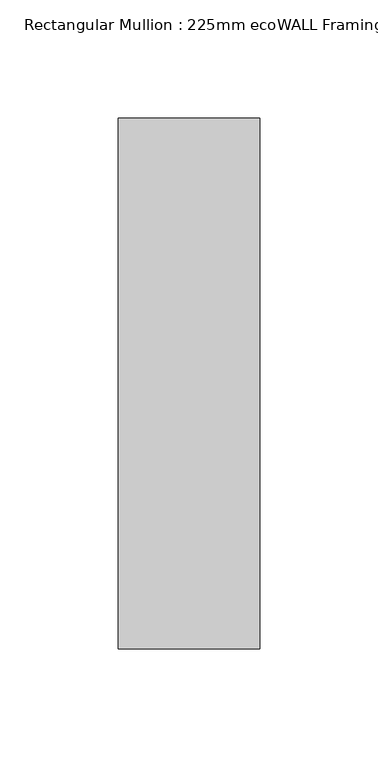
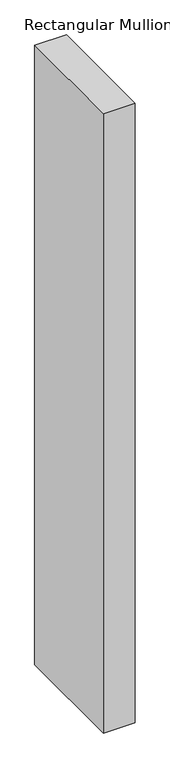
"""IFC4 building model written with IfcOpenShell, lengths in millimetres: member geometry, Rectangular Mullion : 225mm ecoWALL Framing."""

from ifc_helpers import new_model, si_unit, frame, origin, place, context, project, spatial, polyline, outline, extrude, source, transform, mapped, element, save


def rectangular_mullion_225mm_ecowall_framing_a7d19c3e(model_context):
    return source(origin(), model_context, "Body", "SweptSolid", [
        extrude(outline(polyline([(30.0, 112.5), (30.0, -112.5), (-30.0, -112.5), (-30.0, 112.5), (30.0, 112.5)])), frame((0.0, 0.0, -1240.0), z_axis=(0.0, 0.0, 1.0), x_axis=(1.0, 0.0, 0.0)), (0.0, 0.0, 1.0), 1240.0),
    ])


if __name__ == "__main__":
    model = new_model("IFC4")
    model_context = context("Model", 3, world=origin())
    ifc_project = project(units=[si_unit("LENGTHUNIT", "METRE", prefix="MILLI")], contexts=[model_context])
    site = spatial("IfcSite", under=ifc_project)
    building = spatial("IfcBuilding", under=site)
    placement = place(None, origin())
    rectangular_mullion_225mm_ecowall_framing_shape = rectangular_mullion_225mm_ecowall_framing_a7d19c3e(model_context)
    element("IfcMember", 1, ObjectType="Rectangular Mullion : 225mm ecoWALL Framing", at=placement, inside=building, context=model_context, shape_type="MappedRepresentation", body=[
        mapped(rectangular_mullion_225mm_ecowall_framing_shape, transform((0.0, 0.0, 0.0), x_axis=(1.0, 0.0, 0.0), y_axis=(0.0, 1.0, 0.0), z_axis=(0.0, 0.0, 1.0))),
    ])
    save(model, "model.ifc")
